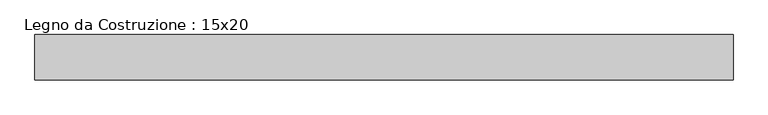
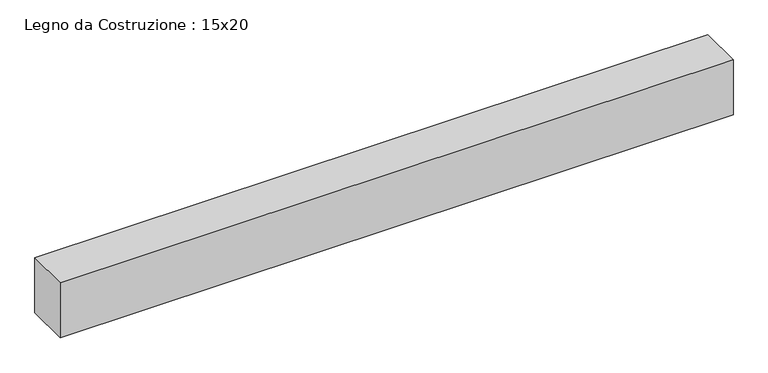
"""IFC4 building model written with IfcOpenShell, lengths in millimetres: beam geometry, Legno da Costruzione : 15x20."""

import ifcopenshell
import ifcopenshell.guid

model = None  # the IFC model being written
_history = None  # IfcOwnerHistory: only IFC2X3 demands one
_inside = {}  # id of a spatial element -> (the spatial element, [elements in it])
_under = {}  # id of a project, library or spatial element -> (it, [spatial elements below it])
_declared = {}  # id of a project -> (the project, [libraries it declares])
_typed = {}  # id of a type object -> (the type object, [elements of that type])
_made_of = {}  # id of a material, layer set ... -> (it, [elements and type objects made of it])


def new_model(schema):
    """Start an empty IFC model of exactly this schema.

    Asked for "IFC4X3", IfcOpenShell would pick the latest addendum, in which some entities
    have other attributes; the version numbers below select the first issue.
    IFC2X3 requires an IfcOwnerHistory on every rooted entity: one is made here for all.
    """
    global model, _history
    if schema == "IFC4X3":
        model = ifcopenshell.file(schema_version=(4, 3, 0, 0))
    else:
        model = ifcopenshell.file(schema=schema)
    _inside.clear()
    _under.clear()
    _declared.clear()
    _typed.clear()
    _made_of.clear()
    _history = None
    if model.schema == "IFC2X3":
        org = make("IfcOrganization", Name="unknown")
        user = make(
            "IfcPersonAndOrganization",
            ThePerson=make("IfcPerson", FamilyName="unknown"),
            TheOrganization=org,
        )
        app = make(
            "IfcApplication",
            ApplicationDeveloper=org,
            Version="unknown",
            ApplicationFullName="unknown",
            ApplicationIdentifier="unknown",
        )
        _history = make(
            "IfcOwnerHistory",
            OwningUser=user,
            OwningApplication=app,
            ChangeAction="ADDED",
            CreationDate=0,
        )
    return model


def make(cls, **values):
    """One entity of the class cls with the attributes given. An attribute that is None is left unset."""
    return model.create_entity(
        cls, **{name: value for name, value in values.items() if value is not None}
    )


def rooted(cls, **values):
    """An entity with a GlobalId (a new one), such as an element, a storey or a relation."""
    return make(cls, GlobalId=ifcopenshell.guid.new(), OwnerHistory=_history, **values)


def si_unit(unit_type, name, prefix=None):
    """IfcSIUnit, for example si_unit("LENGTHUNIT", "METRE", prefix="MILLI")."""
    return make("IfcSIUnit", UnitType=unit_type, Prefix=prefix, Name=name)


def assignment(units):
    """IfcUnitAssignment: the units of a project."""
    return None if units is None else make("IfcUnitAssignment", Units=units)


def point(xyz):
    """IfcCartesianPoint."""
    return None if xyz is None else make("IfcCartesianPoint", Coordinates=xyz)


def direction(xyz):
    """IfcDirection."""
    return None if xyz is None else make("IfcDirection", DirectionRatios=xyz)


def frame(location, z_axis=None, x_axis=None):
    """IfcAxis2Placement3D, a coordinate frame: its origin and axes. An axis left out is left unset."""
    return make(
        "IfcAxis2Placement3D",
        Location=point(location),
        Axis=direction(z_axis),
        RefDirection=direction(x_axis),
    )


def origin():
    """The frame at (0, 0, 0) with its axes left unset."""
    return frame((0.0, 0.0, 0.0))


def place(relative_to, where):
    """IfcLocalPlacement: puts the frame where relative to a parent placement (None: the world)."""
    return make(
        "IfcLocalPlacement", PlacementRelTo=relative_to, RelativePlacement=where
    )


def context(
    kind, dimensions, precision=None, world=None, true_north=None, identifier=None
):
    """IfcGeometricRepresentationContext, for example the 3D "Model" context."""
    return make(
        "IfcGeometricRepresentationContext",
        ContextIdentifier=identifier,
        ContextType=kind,
        CoordinateSpaceDimension=dimensions,
        Precision=precision,
        WorldCoordinateSystem=world,
        TrueNorth=true_north,
    )


def project(units=None, contexts=None):
    """IfcProject with its units and contexts."""
    return rooted(
        "IfcProject",
        Name="project",
        RepresentationContexts=contexts,
        UnitsInContext=assignment(units),
    )


def spatial(cls, under=None, at=None, **own):
    """A site, building, storey or space (cls), placed at a placement, below another one or the project."""
    s = rooted(cls, ObjectPlacement=at, **own)
    if under is not None:
        _under.setdefault(under.id(), (under, []))[1].append(s)
    return s


def polyline(points):
    """IfcPolyline through the points."""
    return make("IfcPolyline", Points=[point(p) for p in points])


def outline(outer, holes=None, kind="AREA"):
    """IfcArbitraryClosedProfileDef: a profile drawn as a closed curve; with holes, ...WithVoids."""
    if holes is None:
        return make("IfcArbitraryClosedProfileDef", ProfileType=kind, OuterCurve=outer)
    return make(
        "IfcArbitraryProfileDefWithVoids",
        ProfileType=kind,
        OuterCurve=outer,
        InnerCurves=holes,
    )


def extrude(swept, where, along, depth):
    """IfcExtrudedAreaSolid: the profile swept, set in the frame where, extruded along a direction by depth."""
    return make(
        "IfcExtrudedAreaSolid",
        SweptArea=swept,
        Position=where,
        ExtrudedDirection=direction(along),
        Depth=depth,
    )


def shape(context_of_items, identifier, shape_type, items):
    """IfcShapeRepresentation: the items that make up one representation, for example the "Body"."""
    return make(
        "IfcShapeRepresentation",
        ContextOfItems=context_of_items,
        RepresentationIdentifier=identifier,
        RepresentationType=shape_type,
        Items=items,
    )


def source(mapping_origin, context_of_items, identifier, shape_type, items):
    """IfcRepresentationMap: a shape defined once, which mapped items show again and again."""
    return make(
        "IfcRepresentationMap",
        MappingOrigin=mapping_origin,
        MappedRepresentation=shape(context_of_items, identifier, shape_type, items),
    )


def transform(
    local_origin,
    x_axis=None,
    y_axis=None,
    z_axis=None,
    scale=None,
    scale2=None,
    scale3=None,
    uniform=True,
):
    """IfcCartesianTransformationOperator3D, or its non-uniform kind. x_axis, y_axis, z_axis: its Axis1, 2, 3."""
    if uniform:
        return make(
            "IfcCartesianTransformationOperator3D",
            Axis1=direction(x_axis),
            Axis2=direction(y_axis),
            LocalOrigin=point(local_origin),
            Scale=scale,
            Axis3=direction(z_axis),
        )
    return make(
        "IfcCartesianTransformationOperator3DnonUniform",
        Axis1=direction(x_axis),
        Axis2=direction(y_axis),
        LocalOrigin=point(local_origin),
        Scale=scale,
        Axis3=direction(z_axis),
        Scale2=scale2,
        Scale3=scale3,
    )


def mapped(mapping_source, mapping_target):
    """IfcMappedItem: shows the shape of a source again, moved by a transform."""
    return make(
        "IfcMappedItem", MappingSource=mapping_source, MappingTarget=mapping_target
    )


def made_of(thing, what):
    """Note that an element or type object is made of a material, layer set ...; save() writes the relation."""
    if what is not None:
        _made_of.setdefault(what.id(), (what, []))[1].append(thing)
    return thing


def element(
    cls,
    number,
    at=None,
    inside=None,
    cuts=None,
    type_object=None,
    material=None,
    context=None,
    identifier="Body",
    shape_type=None,
    held_by="IfcProductDefinitionShape",
    body=None,
    shapes=None,
    **own,
):
    """One element of the class cls, such as IfcWall. Its Tag is "e" and its number.

    at: its placement. inside: the storey or other place that contains it. cuts: it is an
    opening in that element (IfcRelVoidsElement). A single representation is given by context,
    identifier, shape_type and body (its items); several are given by shapes. held_by: the class
    of the entity that holds the representations. save() writes the other relations.
    """
    e = rooted(cls, Tag="e%d" % number, ObjectPlacement=at, **own)
    if body is not None:
        shapes = [shape(context, identifier, shape_type, body)]
    if shapes is not None:
        e.Representation = make(held_by, Representations=shapes)
    if inside is not None:
        _inside.setdefault(inside.id(), (inside, []))[1].append(e)
    if cuts is not None:
        rooted(
            "IfcRelVoidsElement", RelatingBuildingElement=cuts, RelatedOpeningElement=e
        )
    if type_object is not None:
        _typed.setdefault(type_object.id(), (type_object, []))[1].append(e)
    return made_of(e, material)


def aggregate(whole, parts):
    """IfcRelAggregates: a whole, such as a stair, and the parts it consists of."""
    return rooted("IfcRelAggregates", RelatingObject=whole, RelatedObjects=parts)


def save(model, path):
    """Write the relations noted so far, then the file.

    IfcRelAggregates (storeys below a building ...), IfcRelContainedInSpatialStructure (elements
    in a storey), IfcRelDefinesByType, IfcRelAssociatesMaterial and IfcRelDeclares: one each for
    every whole, place, type object, material and project.
    """
    for whole, parts in _under.values():
        aggregate(whole, parts)
    for where, things in _inside.values():
        rooted(
            "IfcRelContainedInSpatialStructure",
            RelatedElements=things,
            RelatingStructure=where,
        )
    for kind, things in _typed.values():
        rooted("IfcRelDefinesByType", RelatedObjects=things, RelatingType=kind)
    for what, things in _made_of.values():
        rooted("IfcRelAssociatesMaterial", RelatedObjects=things, RelatingMaterial=what)
    for by, libraries in _declared.values():
        rooted("IfcRelDeclares", RelatingContext=by, RelatedDefinitions=libraries)
    model.write(path)


def legno_da_costruzione_15x20_e6c33167(model_context):
    return source(origin(), model_context, "Body", "SweptSolid", [
        extrude(outline(polyline([(1253.0, 75.0), (1253.0, -75.0), (-1064.0, -75.0), (-1064.0, 75.0), (1253.0, 75.0)])), frame((0.0, 0.0, -100.0), z_axis=(0.0, 0.0, 1.0), x_axis=(1.0, 0.0, 0.0)), (0.0, 0.0, 1.0), 200.0),
    ])


if __name__ == "__main__":
    model = new_model("IFC4")
    model_context = context("Model", 3, world=origin())
    ifc_project = project(units=[si_unit("LENGTHUNIT", "METRE", prefix="MILLI")], contexts=[model_context])
    site = spatial("IfcSite", under=ifc_project)
    building = spatial("IfcBuilding", under=site)
    placement = place(None, origin())
    legno_da_costruzione_15x20_shape = legno_da_costruzione_15x20_e6c33167(model_context)
    element("IfcBeam", 1, ObjectType="Legno da Costruzione : 15x20", at=placement, inside=building, context=model_context, shape_type="MappedRepresentation", body=[
        mapped(legno_da_costruzione_15x20_shape, transform((0.0, 0.0, 0.0), x_axis=(1.0, 0.0, 0.0), y_axis=(0.0, 1.0, 0.0), z_axis=(0.0, 0.0, 1.0))),
    ])
    save(model, "model.ifc")
